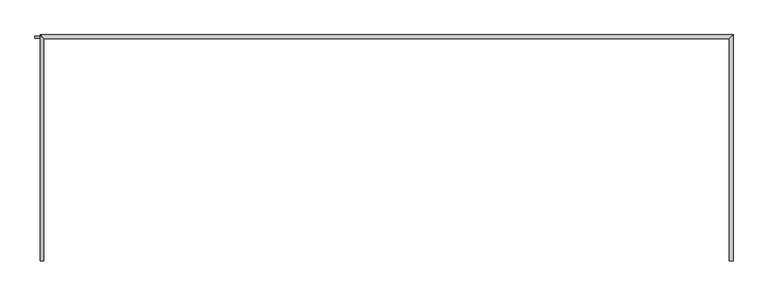
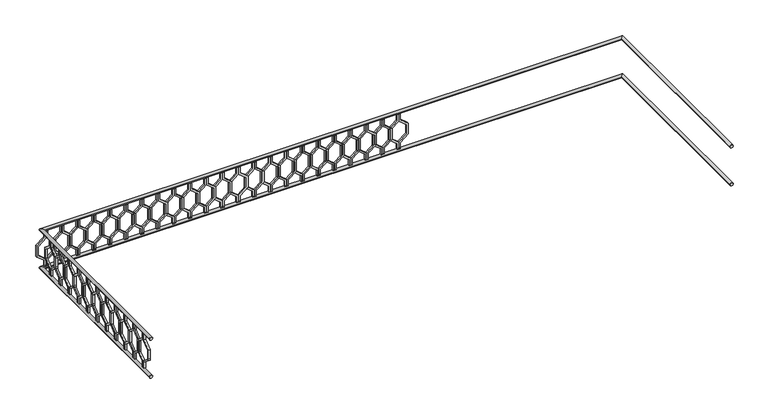
"""IFC4 building model written with IfcOpenShell, lengths in millimetres: railing geometry."""

from ifc_helpers import new_model, si_unit, frame, origin, place, context, project, spatial, polyline, circle_curve, ellipse_curve, outline, extrude, source, transform, mapped, element, save
from ifc_brep_helpers import plane_surface, cylinder_surface, advanced_brep


def railing_e6ef3e06(model_context):
    return source(origin(), model_context, "Body", "SolidModel", [
        advanced_brep(
        [(-40739.9887159, 903.1079487, 8880.0), (-40699.9887159, 903.1079487, 8880.0), (-40739.9887159, 3243.1079487, 8880.0), (-40699.9887159, 3283.1079487, 8880.0), (-47939.9887159, 3243.1079487, 8880.0), (-47979.9887159, 3283.1079487, 8880.0), (-47939.9887159, 903.1079487, 8880.0), (-47979.9887159, 903.1079487, 8880.0)],
        [
            (0, 1, circle_curve(frame((-40719.9887159, 903.1079487, 8880.0), z_axis=(0.0, -1.0, 0.0), x_axis=(1.0, 0.0, 0.0)), 20.0)),
            (1, 0, circle_curve(frame((-40719.9887159, 903.1079487, 8880.0), z_axis=(0.0, -1.0, 0.0), x_axis=(1.0, 0.0, 0.0)), 20.0)),
            (0, 2),
            (2, 3, ellipse_curve(frame((-40719.9887159, 3263.1079487, 8880.0), z_axis=(0.7071067811865475, -0.7071067811865476, 0.0), x_axis=(-0.7071067811865476, -0.7071067811865475, 0.0)), 28.2842712, 20.0)),
            (3, 1),
            (3, 2, ellipse_curve(frame((-40719.9887159, 3263.1079487, 8880.0), z_axis=(0.7071067811865475, -0.7071067811865476, 0.0), x_axis=(-0.7071067811865476, -0.7071067811865475, 0.0)), 28.2842712, 20.0)),
            (2, 4),
            (4, 5, ellipse_curve(frame((-47959.9887159, 3263.1079487, 8880.0), z_axis=(0.7071067811865481, 0.7071067811865469, 0.0), x_axis=(0.7071067811865469, -0.7071067811865481, 0.0)), 28.2842712, 20.0)),
            (5, 3),
            (5, 4, ellipse_curve(frame((-47959.9887159, 3263.1079487, 8880.0), z_axis=(0.7071067811865481, 0.7071067811865469, 0.0), x_axis=(0.7071067811865469, -0.7071067811865481, 0.0)), 28.2842712, 20.0)),
            (6, 7, circle_curve(frame((-47959.9887159, 903.1079487, 8880.0), z_axis=(0.0, -1.0, 0.0), x_axis=(-1.0, 0.0, 0.0)), 20.0)),
            (7, 6, circle_curve(frame((-47959.9887159, 903.1079487, 8880.0), z_axis=(0.0, -1.0, 0.0), x_axis=(-1.0, 0.0, 0.0)), 20.0)),
            (4, 6),
            (7, 5),
        ],
        [
            plane_surface(frame((-40719.9887159, 903.1079487, 8900.0), z_axis=(0.0, -1.0, 0.0), x_axis=(0.0, 0.0, 1.0))),
            cylinder_surface(frame((-40719.9887159, 903.1079487, 8880.0), z_axis=(0.0, -1.0, 0.0), x_axis=(1.0, 0.0, 0.0)), 20.0),
            cylinder_surface(frame((-40719.9887159, 3263.1079487, 8880.0), z_axis=(1.0, 0.0, 0.0), x_axis=(0.0, 1.0, 0.0)), 20.0),
            plane_surface(frame((-47959.9887159, 903.1079487, 8900.0), z_axis=(0.0, -1.0, 0.0), x_axis=(0.0, 0.0, -1.0))),
            cylinder_surface(frame((-47959.9887159, 3263.1079487, 8880.0), z_axis=(0.0, 1.0, 0.0), x_axis=(-1.0, 0.0, 0.0)), 20.0),
        ],
        [
            (0, [[1, 2]]),
            (1, [[-1, 3, 4, 5]]),
            (1, [[-2, -5, 6, -3]]),
            (2, [[-4, 7, 8, 9]]),
            (2, [[-6, -9, 10, -7]]),
            (3, [[11, 12]]),
            (4, [[-8, 13, -12, 14]]),
            (4, [[-10, -14, -11, -13]]),
        ],
    ),
        advanced_brep(
        [(-40739.9887159, 903.1079487, 8380.0), (-40699.9887159, 903.1079487, 8380.0), (-40739.9887159, 3243.1079487, 8380.0), (-40699.9887159, 3283.1079487, 8380.0), (-47939.9887159, 3243.1079487, 8380.0), (-47979.9887159, 3283.1079487, 8380.0), (-47939.9887159, 903.1079487, 8380.0), (-47979.9887159, 903.1079487, 8380.0)],
        [
            (0, 1, circle_curve(frame((-40719.9887159, 903.1079487, 8380.0), z_axis=(0.0, -1.0, 0.0), x_axis=(1.0, 0.0, 0.0)), 20.0)),
            (1, 0, circle_curve(frame((-40719.9887159, 903.1079487, 8380.0), z_axis=(0.0, -1.0, 0.0), x_axis=(1.0, 0.0, 0.0)), 20.0)),
            (0, 2),
            (2, 3, ellipse_curve(frame((-40719.9887159, 3263.1079487, 8380.0), z_axis=(0.7071067811865475, -0.7071067811865476, 0.0), x_axis=(-0.7071067811865476, -0.7071067811865475, 0.0)), 28.2842712, 20.0)),
            (3, 1),
            (3, 2, ellipse_curve(frame((-40719.9887159, 3263.1079487, 8380.0), z_axis=(0.7071067811865475, -0.7071067811865476, 0.0), x_axis=(-0.7071067811865476, -0.7071067811865475, 0.0)), 28.2842712, 20.0)),
            (2, 4),
            (4, 5, ellipse_curve(frame((-47959.9887159, 3263.1079487, 8380.0), z_axis=(0.7071067811865481, 0.7071067811865469, 0.0), x_axis=(0.7071067811865469, -0.7071067811865481, 0.0)), 28.2842712, 20.0)),
            (5, 3),
            (5, 4, ellipse_curve(frame((-47959.9887159, 3263.1079487, 8380.0), z_axis=(0.7071067811865481, 0.7071067811865469, 0.0), x_axis=(0.7071067811865469, -0.7071067811865481, 0.0)), 28.2842712, 20.0)),
            (6, 7, circle_curve(frame((-47959.9887159, 903.1079487, 8380.0), z_axis=(0.0, -1.0, 0.0), x_axis=(-1.0, 0.0, 0.0)), 20.0)),
            (7, 6, circle_curve(frame((-47959.9887159, 903.1079487, 8380.0), z_axis=(0.0, -1.0, 0.0), x_axis=(-1.0, 0.0, 0.0)), 20.0)),
            (4, 6),
            (7, 5),
        ],
        [
            plane_surface(frame((-40719.9887159, 903.1079487, 8400.0), z_axis=(0.0, -1.0, 0.0), x_axis=(0.0, 0.0, 1.0))),
            cylinder_surface(frame((-40719.9887159, 903.1079487, 8380.0), z_axis=(0.0, -1.0, 0.0), x_axis=(1.0, 0.0, 0.0)), 20.0),
            cylinder_surface(frame((-40719.9887159, 3263.1079487, 8380.0), z_axis=(1.0, 0.0, 0.0), x_axis=(0.0, 1.0, 0.0)), 20.0),
            plane_surface(frame((-47959.9887159, 903.1079487, 8400.0), z_axis=(0.0, -1.0, 0.0), x_axis=(0.0, 0.0, -1.0))),
            cylinder_surface(frame((-47959.9887159, 3263.1079487, 8380.0), z_axis=(0.0, 1.0, 0.0), x_axis=(-1.0, 0.0, 0.0)), 20.0),
        ],
        [
            (0, [[1, 2]]),
            (1, [[-1, 3, 4, 5]]),
            (1, [[-2, -5, 6, -3]]),
            (2, [[-4, 7, 8, 9]]),
            (2, [[-6, -9, 10, -7]]),
            (3, [[11, 12]]),
            (4, [[-8, 13, -12, 14]]),
            (4, [[-10, -14, -11, -13]]),
        ],
    ),
        extrude(outline(polyline([(1068.1079487, 8860.0), (1068.1079487, 8770.448155), (969.1129993, 8690.448155), (969.1129993, 8569.551845), (1068.1079487, 8489.551845), (1068.1079487, 8400.0), (1048.1079487, 8400.0), (1048.1079487, 8480.0), (949.1129993, 8560.0), (949.1129993, 8700.0), (1048.1079487, 8780.0), (1048.1079487, 8860.0), (1068.1079487, 8860.0)])), frame((-47964.9887159, 0.0, 0.0), z_axis=(1.0, 0.0, 0.0), x_axis=(0.0, 1.0, 0.0)), (0.0, 0.0, 1.0), 20.0),
        extrude(outline(polyline([(1068.1079487, 8860.0), (1088.1079487, 8860.0), (1088.1079487, 8780.0), (1187.102898, 8700.0), (1187.102898, 8560.0), (1088.1079487, 8480.0), (1088.1079487, 8400.0), (1068.1079487, 8400.0), (1068.1079487, 8489.551845), (1167.102898, 8569.551845), (1167.102898, 8690.448155), (1068.1079487, 8770.448155), (1068.1079487, 8860.0)])), frame((-47964.9887159, 0.0, 0.0), z_axis=(1.0, 0.0, 0.0), x_axis=(0.0, 1.0, 0.0)), (0.0, 0.0, 1.0), 20.0),
        extrude(outline(polyline([(1268.1079487, 8860.0), (1268.1079487, 8770.448155), (1169.1129993, 8690.448155), (1169.1129993, 8569.551845), (1268.1079487, 8489.551845), (1268.1079487, 8400.0), (1248.1079487, 8400.0), (1248.1079487, 8480.0), (1149.1129993, 8560.0), (1149.1129993, 8700.0), (1248.1079487, 8780.0), (1248.1079487, 8860.0), (1268.1079487, 8860.0)])), frame((-47964.9887159, 0.0, 0.0), z_axis=(1.0, 0.0, 0.0), x_axis=(0.0, 1.0, 0.0)), (0.0, 0.0, 1.0), 20.0),
        extrude(outline(polyline([(1268.1079487, 8860.0), (1288.1079487, 8860.0), (1288.1079487, 8780.0), (1387.102898, 8700.0), (1387.102898, 8560.0), (1288.1079487, 8480.0), (1288.1079487, 8400.0), (1268.1079487, 8400.0), (1268.1079487, 8489.551845), (1367.102898, 8569.551845), (1367.102898, 8690.448155), (1268.1079487, 8770.448155), (1268.1079487, 8860.0)])), frame((-47964.9887159, 0.0, 0.0), z_axis=(1.0, 0.0, 0.0), x_axis=(0.0, 1.0, 0.0)), (0.0, 0.0, 1.0), 20.0),
        extrude(outline(polyline([(1468.1079487, 8860.0), (1468.1079487, 8770.448155), (1369.1129993, 8690.448155), (1369.1129993, 8569.551845), (1468.1079487, 8489.551845), (1468.1079487, 8400.0), (1448.1079487, 8400.0), (1448.1079487, 8480.0), (1349.1129993, 8560.0), (1349.1129993, 8700.0), (1448.1079487, 8780.0), (1448.1079487, 8860.0), (1468.1079487, 8860.0)])), frame((-47964.9887159, 0.0, 0.0), z_axis=(1.0, 0.0, 0.0), x_axis=(0.0, 1.0, 0.0)), (0.0, 0.0, 1.0), 20.0),
        extrude(outline(polyline([(1468.1079487, 8860.0), (1488.1079487, 8860.0), (1488.1079487, 8780.0), (1587.102898, 8700.0), (1587.102898, 8560.0), (1488.1079487, 8480.0), (1488.1079487, 8400.0), (1468.1079487, 8400.0), (1468.1079487, 8489.551845), (1567.102898, 8569.551845), (1567.102898, 8690.448155), (1468.1079487, 8770.448155), (1468.1079487, 8860.0)])), frame((-47964.9887159, 0.0, 0.0), z_axis=(1.0, 0.0, 0.0), x_axis=(0.0, 1.0, 0.0)), (0.0, 0.0, 1.0), 20.0),
        extrude(outline(polyline([(1668.1079487, 8860.0), (1668.1079487, 8770.448155), (1569.1129993, 8690.448155), (1569.1129993, 8569.551845), (1668.1079487, 8489.551845), (1668.1079487, 8400.0), (1648.1079487, 8400.0), (1648.1079487, 8480.0), (1549.1129993, 8560.0), (1549.1129993, 8700.0), (1648.1079487, 8780.0), (1648.1079487, 8860.0), (1668.1079487, 8860.0)])), frame((-47964.9887159, 0.0, 0.0), z_axis=(1.0, 0.0, 0.0), x_axis=(0.0, 1.0, 0.0)), (0.0, 0.0, 1.0), 20.0),
        extrude(outline(polyline([(1668.1079487, 8860.0), (1688.1079487, 8860.0), (1688.1079487, 8780.0), (1787.102898, 8700.0), (1787.102898, 8560.0), (1688.1079487, 8480.0), (1688.1079487, 8400.0), (1668.1079487, 8400.0), (1668.1079487, 8489.551845), (1767.102898, 8569.551845), (1767.102898, 8690.448155), (1668.1079487, 8770.448155), (1668.1079487, 8860.0)])), frame((-47964.9887159, 0.0, 0.0), z_axis=(1.0, 0.0, 0.0), x_axis=(0.0, 1.0, 0.0)), (0.0, 0.0, 1.0), 20.0),
        extrude(outline(polyline([(1868.1079487, 8860.0), (1868.1079487, 8770.448155), (1769.1129993, 8690.448155), (1769.1129993, 8569.551845), (1868.1079487, 8489.551845), (1868.1079487, 8400.0), (1848.1079487, 8400.0), (1848.1079487, 8480.0), (1749.1129993, 8560.0), (1749.1129993, 8700.0), (1848.1079487, 8780.0), (1848.1079487, 8860.0), (1868.1079487, 8860.0)])), frame((-47964.9887159, 0.0, 0.0), z_axis=(1.0, 0.0, 0.0), x_axis=(0.0, 1.0, 0.0)), (0.0, 0.0, 1.0), 20.0),
        extrude(outline(polyline([(1868.1079487, 8860.0), (1888.1079487, 8860.0), (1888.1079487, 8780.0), (1987.102898, 8700.0), (1987.102898, 8560.0), (1888.1079487, 8480.0), (1888.1079487, 8400.0), (1868.1079487, 8400.0), (1868.1079487, 8489.551845), (1967.102898, 8569.551845), (1967.102898, 8690.448155), (1868.1079487, 8770.448155), (1868.1079487, 8860.0)])), frame((-47964.9887159, 0.0, 0.0), z_axis=(1.0, 0.0, 0.0), x_axis=(0.0, 1.0, 0.0)), (0.0, 0.0, 1.0), 20.0),
        extrude(outline(polyline([(2068.1079487, 8860.0), (2068.1079487, 8770.448155), (1969.1129993, 8690.448155), (1969.1129993, 8569.551845), (2068.1079487, 8489.551845), (2068.1079487, 8400.0), (2048.1079487, 8400.0), (2048.1079487, 8480.0), (1949.1129993, 8560.0), (1949.1129993, 8700.0), (2048.1079487, 8780.0), (2048.1079487, 8860.0), (2068.1079487, 8860.0)])), frame((-47964.9887159, 0.0, 0.0), z_axis=(1.0, 0.0, 0.0), x_axis=(0.0, 1.0, 0.0)), (0.0, 0.0, 1.0), 20.0),
        extrude(outline(polyline([(2068.1079487, 8860.0), (2088.1079487, 8860.0), (2088.1079487, 8780.0), (2187.102898, 8700.0), (2187.102898, 8560.0), (2088.1079487, 8480.0), (2088.1079487, 8400.0), (2068.1079487, 8400.0), (2068.1079487, 8489.551845), (2167.102898, 8569.551845), (2167.102898, 8690.448155), (2068.1079487, 8770.448155), (2068.1079487, 8860.0)])), frame((-47964.9887159, 0.0, 0.0), z_axis=(1.0, 0.0, 0.0), x_axis=(0.0, 1.0, 0.0)), (0.0, 0.0, 1.0), 20.0),
        extrude(outline(polyline([(2268.1079487, 8860.0), (2268.1079487, 8770.448155), (2169.1129993, 8690.448155), (2169.1129993, 8569.551845), (2268.1079487, 8489.551845), (2268.1079487, 8400.0), (2248.1079487, 8400.0), (2248.1079487, 8480.0), (2149.1129993, 8560.0), (2149.1129993, 8700.0), (2248.1079487, 8780.0), (2248.1079487, 8860.0), (2268.1079487, 8860.0)])), frame((-47964.9887159, 0.0, 0.0), z_axis=(1.0, 0.0, 0.0), x_axis=(0.0, 1.0, 0.0)), (0.0, 0.0, 1.0), 20.0),
        extrude(outline(polyline([(2268.1079487, 8860.0), (2288.1079487, 8860.0), (2288.1079487, 8780.0), (2387.102898, 8700.0), (2387.102898, 8560.0), (2288.1079487, 8480.0), (2288.1079487, 8400.0), (2268.1079487, 8400.0), (2268.1079487, 8489.551845), (2367.102898, 8569.551845), (2367.102898, 8690.448155), (2268.1079487, 8770.448155), (2268.1079487, 8860.0)])), frame((-47964.9887159, 0.0, 0.0), z_axis=(1.0, 0.0, 0.0), x_axis=(0.0, 1.0, 0.0)), (0.0, 0.0, 1.0), 20.0),
        extrude(outline(polyline([(2468.1079487, 8860.0), (2468.1079487, 8770.448155), (2369.1129993, 8690.448155), (2369.1129993, 8569.551845), (2468.1079487, 8489.551845), (2468.1079487, 8400.0), (2448.1079487, 8400.0), (2448.1079487, 8480.0), (2349.1129993, 8560.0), (2349.1129993, 8700.0), (2448.1079487, 8780.0), (2448.1079487, 8860.0), (2468.1079487, 8860.0)])), frame((-47964.9887159, 0.0, 0.0), z_axis=(1.0, 0.0, 0.0), x_axis=(0.0, 1.0, 0.0)), (0.0, 0.0, 1.0), 20.0),
        extrude(outline(polyline([(2468.1079487, 8860.0), (2488.1079487, 8860.0), (2488.1079487, 8780.0), (2587.102898, 8700.0), (2587.102898, 8560.0), (2488.1079487, 8480.0), (2488.1079487, 8400.0), (2468.1079487, 8400.0), (2468.1079487, 8489.551845), (2567.102898, 8569.551845), (2567.102898, 8690.448155), (2468.1079487, 8770.448155), (2468.1079487, 8860.0)])), frame((-47964.9887159, 0.0, 0.0), z_axis=(1.0, 0.0, 0.0), x_axis=(0.0, 1.0, 0.0)), (0.0, 0.0, 1.0), 20.0),
        extrude(outline(polyline([(2668.1079487, 8860.0), (2668.1079487, 8770.448155), (2569.1129993, 8690.448155), (2569.1129993, 8569.551845), (2668.1079487, 8489.551845), (2668.1079487, 8400.0), (2648.1079487, 8400.0), (2648.1079487, 8480.0), (2549.1129993, 8560.0), (2549.1129993, 8700.0), (2648.1079487, 8780.0), (2648.1079487, 8860.0), (2668.1079487, 8860.0)])), frame((-47964.9887159, 0.0, 0.0), z_axis=(1.0, 0.0, 0.0), x_axis=(0.0, 1.0, 0.0)), (0.0, 0.0, 1.0), 20.0),
        extrude(outline(polyline([(2668.1079487, 8860.0), (2688.1079487, 8860.0), (2688.1079487, 8780.0), (2787.102898, 8700.0), (2787.102898, 8560.0), (2688.1079487, 8480.0), (2688.1079487, 8400.0), (2668.1079487, 8400.0), (2668.1079487, 8489.551845), (2767.102898, 8569.551845), (2767.102898, 8690.448155), (2668.1079487, 8770.448155), (2668.1079487, 8860.0)])), frame((-47964.9887159, 0.0, 0.0), z_axis=(1.0, 0.0, 0.0), x_axis=(0.0, 1.0, 0.0)), (0.0, 0.0, 1.0), 20.0),
        extrude(outline(polyline([(2868.1079487, 8860.0), (2868.1079487, 8770.448155), (2769.1129993, 8690.448155), (2769.1129993, 8569.551845), (2868.1079487, 8489.551845), (2868.1079487, 8400.0), (2848.1079487, 8400.0), (2848.1079487, 8480.0), (2749.1129993, 8560.0), (2749.1129993, 8700.0), (2848.1079487, 8780.0), (2848.1079487, 8860.0), (2868.1079487, 8860.0)])), frame((-47964.9887159, 0.0, 0.0), z_axis=(1.0, 0.0, 0.0), x_axis=(0.0, 1.0, 0.0)), (0.0, 0.0, 1.0), 20.0),
        extrude(outline(polyline([(2868.1079487, 8860.0), (2888.1079487, 8860.0), (2888.1079487, 8780.0), (2987.102898, 8700.0), (2987.102898, 8560.0), (2888.1079487, 8480.0), (2888.1079487, 8400.0), (2868.1079487, 8400.0), (2868.1079487, 8489.551845), (2967.102898, 8569.551845), (2967.102898, 8690.448155), (2868.1079487, 8770.448155), (2868.1079487, 8860.0)])), frame((-47964.9887159, 0.0, 0.0), z_axis=(1.0, 0.0, 0.0), x_axis=(0.0, 1.0, 0.0)), (0.0, 0.0, 1.0), 20.0),
        extrude(outline(polyline([(3068.1079487, 8860.0), (3068.1079487, 8770.448155), (2969.1129993, 8690.448155), (2969.1129993, 8569.551845), (3068.1079487, 8489.551845), (3068.1079487, 8400.0), (3048.1079487, 8400.0), (3048.1079487, 8480.0), (2949.1129993, 8560.0), (2949.1129993, 8700.0), (3048.1079487, 8780.0), (3048.1079487, 8860.0), (3068.1079487, 8860.0)])), frame((-47964.9887159, 0.0, 0.0), z_axis=(1.0, 0.0, 0.0), x_axis=(0.0, 1.0, 0.0)), (0.0, 0.0, 1.0), 20.0),
        extrude(outline(polyline([(3068.1079487, 8860.0), (3088.1079487, 8860.0), (3088.1079487, 8780.0), (3187.102898, 8700.0), (3187.102898, 8560.0), (3088.1079487, 8480.0), (3088.1079487, 8400.0), (3068.1079487, 8400.0), (3068.1079487, 8489.551845), (3167.102898, 8569.551845), (3167.102898, 8690.448155), (3068.1079487, 8770.448155), (3068.1079487, 8860.0)])), frame((-47964.9887159, 0.0, 0.0), z_axis=(1.0, 0.0, 0.0), x_axis=(0.0, 1.0, 0.0)), (0.0, 0.0, 1.0), 20.0),
        extrude(outline(polyline([(8860.0, -47914.9887159), (8860.0, -47934.9887159), (8780.0, -47934.9887159), (8700.0, -48033.9836653), (8560.0, -48033.9836653), (8480.0, -47934.9887159), (8400.0, -47934.9887159), (8400.0, -47914.9887159), (8489.551845, -47914.9887159), (8569.551845, -48013.9836653), (8690.448155, -48013.9836653), (8770.448155, -47914.9887159), (8860.0, -47914.9887159)])), frame((0.0, 3248.1079487, 0.0), z_axis=(0.0, 1.0, 0.0), x_axis=(0.0, 0.0, 1.0)), (0.0, 0.0, 1.0), 20.0),
        extrude(outline(polyline([(8860.0, -47914.9887159), (8770.448155, -47914.9887159), (8690.448155, -47815.9937665), (8569.551845, -47815.9937665), (8489.551845, -47914.9887159), (8400.0, -47914.9887159), (8400.0, -47894.9887159), (8480.0, -47894.9887159), (8560.0, -47795.9937665), (8700.0, -47795.9937665), (8780.0, -47894.9887159), (8860.0, -47894.9887159), (8860.0, -47914.9887159)])), frame((0.0, 3248.1079487, 0.0), z_axis=(0.0, 1.0, 0.0), x_axis=(0.0, 0.0, 1.0)), (0.0, 0.0, 1.0), 20.0),
        extrude(outline(polyline([(8860.0, -47714.9887159), (8860.0, -47734.9887159), (8780.0, -47734.9887159), (8700.0, -47833.9836653), (8560.0, -47833.9836653), (8480.0, -47734.9887159), (8400.0, -47734.9887159), (8400.0, -47714.9887159), (8489.551845, -47714.9887159), (8569.551845, -47813.9836653), (8690.448155, -47813.9836653), (8770.448155, -47714.9887159), (8860.0, -47714.9887159)])), frame((0.0, 3248.1079487, 0.0), z_axis=(0.0, 1.0, 0.0), x_axis=(0.0, 0.0, 1.0)), (0.0, 0.0, 1.0), 20.0),
        extrude(outline(polyline([(8860.0, -47714.9887159), (8770.448155, -47714.9887159), (8690.448155, -47615.9937665), (8569.551845, -47615.9937665), (8489.551845, -47714.9887159), (8400.0, -47714.9887159), (8400.0, -47694.9887159), (8480.0, -47694.9887159), (8560.0, -47595.9937665), (8700.0, -47595.9937665), (8780.0, -47694.9887159), (8860.0, -47694.9887159), (8860.0, -47714.9887159)])), frame((0.0, 3248.1079487, 0.0), z_axis=(0.0, 1.0, 0.0), x_axis=(0.0, 0.0, 1.0)), (0.0, 0.0, 1.0), 20.0),
        extrude(outline(polyline([(8860.0, -47514.9887159), (8860.0, -47534.9887159), (8780.0, -47534.9887159), (8700.0, -47633.9836653), (8560.0, -47633.9836653), (8480.0, -47534.9887159), (8400.0, -47534.9887159), (8400.0, -47514.9887159), (8489.551845, -47514.9887159), (8569.551845, -47613.9836653), (8690.448155, -47613.9836653), (8770.448155, -47514.9887159), (8860.0, -47514.9887159)])), frame((0.0, 3248.1079487, 0.0), z_axis=(0.0, 1.0, 0.0), x_axis=(0.0, 0.0, 1.0)), (0.0, 0.0, 1.0), 20.0),
        extrude(outline(polyline([(8860.0, -47514.9887159), (8770.448155, -47514.9887159), (8690.448155, -47415.9937665), (8569.551845, -47415.9937665), (8489.551845, -47514.9887159), (8400.0, -47514.9887159), (8400.0, -47494.9887159), (8480.0, -47494.9887159), (8560.0, -47395.9937665), (8700.0, -47395.9937665), (8780.0, -47494.9887159), (8860.0, -47494.9887159), (8860.0, -47514.9887159)])), frame((0.0, 3248.1079487, 0.0), z_axis=(0.0, 1.0, 0.0), x_axis=(0.0, 0.0, 1.0)), (0.0, 0.0, 1.0), 20.0),
        extrude(outline(polyline([(8860.0, -47314.9887159), (8860.0, -47334.9887159), (8780.0, -47334.9887159), (8700.0, -47433.9836653), (8560.0, -47433.9836653), (8480.0, -47334.9887159), (8400.0, -47334.9887159), (8400.0, -47314.9887159), (8489.551845, -47314.9887159), (8569.551845, -47413.9836653), (8690.448155, -47413.9836653), (8770.448155, -47314.9887159), (8860.0, -47314.9887159)])), frame((0.0, 3248.1079487, 0.0), z_axis=(0.0, 1.0, 0.0), x_axis=(0.0, 0.0, 1.0)), (0.0, 0.0, 1.0), 20.0),
        extrude(outline(polyline([(8860.0, -47314.9887159), (8770.448155, -47314.9887159), (8690.448155, -47215.9937665), (8569.551845, -47215.9937665), (8489.551845, -47314.9887159), (8400.0, -47314.9887159), (8400.0, -47294.9887159), (8480.0, -47294.9887159), (8560.0, -47195.9937665), (8700.0, -47195.9937665), (8780.0, -47294.9887159), (8860.0, -47294.9887159), (8860.0, -47314.9887159)])), frame((0.0, 3248.1079487, 0.0), z_axis=(0.0, 1.0, 0.0), x_axis=(0.0, 0.0, 1.0)), (0.0, 0.0, 1.0), 20.0),
        extrude(outline(polyline([(8860.0, -47114.9887159), (8860.0, -47134.9887159), (8780.0, -47134.9887159), (8700.0, -47233.9836653), (8560.0, -47233.9836653), (8480.0, -47134.9887159), (8400.0, -47134.9887159), (8400.0, -47114.9887159), (8489.551845, -47114.9887159), (8569.551845, -47213.9836653), (8690.448155, -47213.9836653), (8770.448155, -47114.9887159), (8860.0, -47114.9887159)])), frame((0.0, 3248.1079487, 0.0), z_axis=(0.0, 1.0, 0.0), x_axis=(0.0, 0.0, 1.0)), (0.0, 0.0, 1.0), 20.0),
        extrude(outline(polyline([(8860.0, -47114.9887159), (8770.448155, -47114.9887159), (8690.448155, -47015.9937665), (8569.551845, -47015.9937665), (8489.551845, -47114.9887159), (8400.0, -47114.9887159), (8400.0, -47094.9887159), (8480.0, -47094.9887159), (8560.0, -46995.9937665), (8700.0, -46995.9937665), (8780.0, -47094.9887159), (8860.0, -47094.9887159), (8860.0, -47114.9887159)])), frame((0.0, 3248.1079487, 0.0), z_axis=(0.0, 1.0, 0.0), x_axis=(0.0, 0.0, 1.0)), (0.0, 0.0, 1.0), 20.0),
        extrude(outline(polyline([(8860.0, -46914.9887159), (8860.0, -46934.9887159), (8780.0, -46934.9887159), (8700.0, -47033.9836653), (8560.0, -47033.9836653), (8480.0, -46934.9887159), (8400.0, -46934.9887159), (8400.0, -46914.9887159), (8489.551845, -46914.9887159), (8569.551845, -47013.9836653), (8690.448155, -47013.9836653), (8770.448155, -46914.9887159), (8860.0, -46914.9887159)])), frame((0.0, 3248.1079487, 0.0), z_axis=(0.0, 1.0, 0.0), x_axis=(0.0, 0.0, 1.0)), (0.0, 0.0, 1.0), 20.0),
        extrude(outline(polyline([(8860.0, -46914.9887159), (8770.448155, -46914.9887159), (8690.448155, -46815.9937665), (8569.551845, -46815.9937665), (8489.551845, -46914.9887159), (8400.0, -46914.9887159), (8400.0, -46894.9887159), (8480.0, -46894.9887159), (8560.0, -46795.9937665), (8700.0, -46795.9937665), (8780.0, -46894.9887159), (8860.0, -46894.9887159), (8860.0, -46914.9887159)])), frame((0.0, 3248.1079487, 0.0), z_axis=(0.0, 1.0, 0.0), x_axis=(0.0, 0.0, 1.0)), (0.0, 0.0, 1.0), 20.0),
        extrude(outline(polyline([(8860.0, -46714.9887159), (8860.0, -46734.9887159), (8780.0, -46734.9887159), (8700.0, -46833.9836653), (8560.0, -46833.9836653), (8480.0, -46734.9887159), (8400.0, -46734.9887159), (8400.0, -46714.9887159), (8489.551845, -46714.9887159), (8569.551845, -46813.9836653), (8690.448155, -46813.9836653), (8770.448155, -46714.9887159), (8860.0, -46714.9887159)])), frame((0.0, 3248.1079487, 0.0), z_axis=(0.0, 1.0, 0.0), x_axis=(0.0, 0.0, 1.0)), (0.0, 0.0, 1.0), 20.0),
        extrude(outline(polyline([(8860.0, -46714.9887159), (8770.448155, -46714.9887159), (8690.448155, -46615.9937665), (8569.551845, -46615.9937665), (8489.551845, -46714.9887159), (8400.0, -46714.9887159), (8400.0, -46694.9887159), (8480.0, -46694.9887159), (8560.0, -46595.9937665), (8700.0, -46595.9937665), (8780.0, -46694.9887159), (8860.0, -46694.9887159), (8860.0, -46714.9887159)])), frame((0.0, 3248.1079487, 0.0), z_axis=(0.0, 1.0, 0.0), x_axis=(0.0, 0.0, 1.0)), (0.0, 0.0, 1.0), 20.0),
        extrude(outline(polyline([(8860.0, -46514.9887159), (8860.0, -46534.9887159), (8780.0, -46534.9887159), (8700.0, -46633.9836653), (8560.0, -46633.9836653), (8480.0, -46534.9887159), (8400.0, -46534.9887159), (8400.0, -46514.9887159), (8489.551845, -46514.9887159), (8569.551845, -46613.9836653), (8690.448155, -46613.9836653), (8770.448155, -46514.9887159), (8860.0, -46514.9887159)])), frame((0.0, 3248.1079487, 0.0), z_axis=(0.0, 1.0, 0.0), x_axis=(0.0, 0.0, 1.0)), (0.0, 0.0, 1.0), 20.0),
        extrude(outline(polyline([(8860.0, -46514.9887159), (8770.448155, -46514.9887159), (8690.448155, -46415.9937665), (8569.551845, -46415.9937665), (8489.551845, -46514.9887159), (8400.0, -46514.9887159), (8400.0, -46494.9887159), (8480.0, -46494.9887159), (8560.0, -46395.9937665), (8700.0, -46395.9937665), (8780.0, -46494.9887159), (8860.0, -46494.9887159), (8860.0, -46514.9887159)])), frame((0.0, 3248.1079487, 0.0), z_axis=(0.0, 1.0, 0.0), x_axis=(0.0, 0.0, 1.0)), (0.0, 0.0, 1.0), 20.0),
        extrude(outline(polyline([(8860.0, -46314.9887159), (8860.0, -46334.9887159), (8780.0, -46334.9887159), (8700.0, -46433.9836653), (8560.0, -46433.9836653), (8480.0, -46334.9887159), (8400.0, -46334.9887159), (8400.0, -46314.9887159), (8489.551845, -46314.9887159), (8569.551845, -46413.9836653), (8690.448155, -46413.9836653), (8770.448155, -46314.9887159), (8860.0, -46314.9887159)])), frame((0.0, 3248.1079487, 0.0), z_axis=(0.0, 1.0, 0.0), x_axis=(0.0, 0.0, 1.0)), (0.0, 0.0, 1.0), 20.0),
        extrude(outline(polyline([(8860.0, -46314.9887159), (8770.448155, -46314.9887159), (8690.448155, -46215.9937665), (8569.551845, -46215.9937665), (8489.551845, -46314.9887159), (8400.0, -46314.9887159), (8400.0, -46294.9887159), (8480.0, -46294.9887159), (8560.0, -46195.9937665), (8700.0, -46195.9937665), (8780.0, -46294.9887159), (8860.0, -46294.9887159), (8860.0, -46314.9887159)])), frame((0.0, 3248.1079487, 0.0), z_axis=(0.0, 1.0, 0.0), x_axis=(0.0, 0.0, 1.0)), (0.0, 0.0, 1.0), 20.0),
        extrude(outline(polyline([(8860.0, -46114.9887159), (8860.0, -46134.9887159), (8780.0, -46134.9887159), (8700.0, -46233.9836653), (8560.0, -46233.9836653), (8480.0, -46134.9887159), (8400.0, -46134.9887159), (8400.0, -46114.9887159), (8489.551845, -46114.9887159), (8569.551845, -46213.9836653), (8690.448155, -46213.9836653), (8770.448155, -46114.9887159), (8860.0, -46114.9887159)])), frame((0.0, 3248.1079487, 0.0), z_axis=(0.0, 1.0, 0.0), x_axis=(0.0, 0.0, 1.0)), (0.0, 0.0, 1.0), 20.0),
        extrude(outline(polyline([(8860.0, -46114.9887159), (8770.448155, -46114.9887159), (8690.448155, -46015.9937665), (8569.551845, -46015.9937665), (8489.551845, -46114.9887159), (8400.0, -46114.9887159), (8400.0, -46094.9887159), (8480.0, -46094.9887159), (8560.0, -45995.9937665), (8700.0, -45995.9937665), (8780.0, -46094.9887159), (8860.0, -46094.9887159), (8860.0, -46114.9887159)])), frame((0.0, 3248.1079487, 0.0), z_axis=(0.0, 1.0, 0.0), x_axis=(0.0, 0.0, 1.0)), (0.0, 0.0, 1.0), 20.0),
        extrude(outline(polyline([(8860.0, -45914.9887159), (8860.0, -45934.9887159), (8780.0, -45934.9887159), (8700.0, -46033.9836653), (8560.0, -46033.9836653), (8480.0, -45934.9887159), (8400.0, -45934.9887159), (8400.0, -45914.9887159), (8489.551845, -45914.9887159), (8569.551845, -46013.9836653), (8690.448155, -46013.9836653), (8770.448155, -45914.9887159), (8860.0, -45914.9887159)])), frame((0.0, 3248.1079487, 0.0), z_axis=(0.0, 1.0, 0.0), x_axis=(0.0, 0.0, 1.0)), (0.0, 0.0, 1.0), 20.0),
        extrude(outline(polyline([(8860.0, -45914.9887159), (8770.448155, -45914.9887159), (8690.448155, -45815.9937665), (8569.551845, -45815.9937665), (8489.551845, -45914.9887159), (8400.0, -45914.9887159), (8400.0, -45894.9887159), (8480.0, -45894.9887159), (8560.0, -45795.9937665), (8700.0, -45795.9937665), (8780.0, -45894.9887159), (8860.0, -45894.9887159), (8860.0, -45914.9887159)])), frame((0.0, 3248.1079487, 0.0), z_axis=(0.0, 1.0, 0.0), x_axis=(0.0, 0.0, 1.0)), (0.0, 0.0, 1.0), 20.0),
        extrude(outline(polyline([(8860.0, -45714.9887159), (8860.0, -45734.9887159), (8780.0, -45734.9887159), (8700.0, -45833.9836653), (8560.0, -45833.9836653), (8480.0, -45734.9887159), (8400.0, -45734.9887159), (8400.0, -45714.9887159), (8489.551845, -45714.9887159), (8569.551845, -45813.9836653), (8690.448155, -45813.9836653), (8770.448155, -45714.9887159), (8860.0, -45714.9887159)])), frame((0.0, 3248.1079487, 0.0), z_axis=(0.0, 1.0, 0.0), x_axis=(0.0, 0.0, 1.0)), (0.0, 0.0, 1.0), 20.0),
        extrude(outline(polyline([(8860.0, -45714.9887159), (8770.448155, -45714.9887159), (8690.448155, -45615.9937665), (8569.551845, -45615.9937665), (8489.551845, -45714.9887159), (8400.0, -45714.9887159), (8400.0, -45694.9887159), (8480.0, -45694.9887159), (8560.0, -45595.9937665), (8700.0, -45595.9937665), (8780.0, -45694.9887159), (8860.0, -45694.9887159), (8860.0, -45714.9887159)])), frame((0.0, 3248.1079487, 0.0), z_axis=(0.0, 1.0, 0.0), x_axis=(0.0, 0.0, 1.0)), (0.0, 0.0, 1.0), 20.0),
        extrude(outline(polyline([(8860.0, -45514.9887159), (8860.0, -45534.9887159), (8780.0, -45534.9887159), (8700.0, -45633.9836653), (8560.0, -45633.9836653), (8480.0, -45534.9887159), (8400.0, -45534.9887159), (8400.0, -45514.9887159), (8489.551845, -45514.9887159), (8569.551845, -45613.9836653), (8690.448155, -45613.9836653), (8770.448155, -45514.9887159), (8860.0, -45514.9887159)])), frame((0.0, 3248.1079487, 0.0), z_axis=(0.0, 1.0, 0.0), x_axis=(0.0, 0.0, 1.0)), (0.0, 0.0, 1.0), 20.0),
        extrude(outline(polyline([(8860.0, -45514.9887159), (8770.448155, -45514.9887159), (8690.448155, -45415.9937665), (8569.551845, -45415.9937665), (8489.551845, -45514.9887159), (8400.0, -45514.9887159), (8400.0, -45494.9887159), (8480.0, -45494.9887159), (8560.0, -45395.9937665), (8700.0, -45395.9937665), (8780.0, -45494.9887159), (8860.0, -45494.9887159), (8860.0, -45514.9887159)])), frame((0.0, 3248.1079487, 0.0), z_axis=(0.0, 1.0, 0.0), x_axis=(0.0, 0.0, 1.0)), (0.0, 0.0, 1.0), 20.0),
        extrude(outline(polyline([(8860.0, -45314.9887159), (8860.0, -45334.9887159), (8780.0, -45334.9887159), (8700.0, -45433.9836653), (8560.0, -45433.9836653), (8480.0, -45334.9887159), (8400.0, -45334.9887159), (8400.0, -45314.9887159), (8489.551845, -45314.9887159), (8569.551845, -45413.9836653), (8690.448155, -45413.9836653), (8770.448155, -45314.9887159), (8860.0, -45314.9887159)])), frame((0.0, 3248.1079487, 0.0), z_axis=(0.0, 1.0, 0.0), x_axis=(0.0, 0.0, 1.0)), (0.0, 0.0, 1.0), 20.0),
        extrude(outline(polyline([(8860.0, -45314.9887159), (8770.448155, -45314.9887159), (8690.448155, -45215.9937665), (8569.551845, -45215.9937665), (8489.551845, -45314.9887159), (8400.0, -45314.9887159), (8400.0, -45294.9887159), (8480.0, -45294.9887159), (8560.0, -45195.9937665), (8700.0, -45195.9937665), (8780.0, -45294.9887159), (8860.0, -45294.9887159), (8860.0, -45314.9887159)])), frame((0.0, 3248.1079487, 0.0), z_axis=(0.0, 1.0, 0.0), x_axis=(0.0, 0.0, 1.0)), (0.0, 0.0, 1.0), 20.0),
        extrude(outline(polyline([(8860.0, -45114.9887159), (8860.0, -45134.9887159), (8780.0, -45134.9887159), (8700.0, -45233.9836653), (8560.0, -45233.9836653), (8480.0, -45134.9887159), (8400.0, -45134.9887159), (8400.0, -45114.9887159), (8489.551845, -45114.9887159), (8569.551845, -45213.9836653), (8690.448155, -45213.9836653), (8770.448155, -45114.9887159), (8860.0, -45114.9887159)])), frame((0.0, 3248.1079487, 0.0), z_axis=(0.0, 1.0, 0.0), x_axis=(0.0, 0.0, 1.0)), (0.0, 0.0, 1.0), 20.0),
        extrude(outline(polyline([(8860.0, -45114.9887159), (8770.448155, -45114.9887159), (8690.448155, -45015.9937665), (8569.551845, -45015.9937665), (8489.551845, -45114.9887159), (8400.0, -45114.9887159), (8400.0, -45094.9887159), (8480.0, -45094.9887159), (8560.0, -44995.9937665), (8700.0, -44995.9937665), (8780.0, -45094.9887159), (8860.0, -45094.9887159), (8860.0, -45114.9887159)])), frame((0.0, 3248.1079487, 0.0), z_axis=(0.0, 1.0, 0.0), x_axis=(0.0, 0.0, 1.0)), (0.0, 0.0, 1.0), 20.0),
        extrude(outline(polyline([(8860.0, -44914.9887159), (8860.0, -44934.9887159), (8780.0, -44934.9887159), (8700.0, -45033.9836653), (8560.0, -45033.9836653), (8480.0, -44934.9887159), (8400.0, -44934.9887159), (8400.0, -44914.9887159), (8489.551845, -44914.9887159), (8569.551845, -45013.9836653), (8690.448155, -45013.9836653), (8770.448155, -44914.9887159), (8860.0, -44914.9887159)])), frame((0.0, 3248.1079487, 0.0), z_axis=(0.0, 1.0, 0.0), x_axis=(0.0, 0.0, 1.0)), (0.0, 0.0, 1.0), 20.0),
        extrude(outline(polyline([(8860.0, -44914.9887159), (8770.448155, -44914.9887159), (8690.448155, -44815.9937665), (8569.551845, -44815.9937665), (8489.551845, -44914.9887159), (8400.0, -44914.9887159), (8400.0, -44894.9887159), (8480.0, -44894.9887159), (8560.0, -44795.9937665), (8700.0, -44795.9937665), (8780.0, -44894.9887159), (8860.0, -44894.9887159), (8860.0, -44914.9887159)])), frame((0.0, 3248.1079487, 0.0), z_axis=(0.0, 1.0, 0.0), x_axis=(0.0, 0.0, 1.0)), (0.0, 0.0, 1.0), 20.0),
        extrude(outline(polyline([(8860.0, -44714.9887159), (8860.0, -44734.9887159), (8780.0, -44734.9887159), (8700.0, -44833.9836653), (8560.0, -44833.9836653), (8480.0, -44734.9887159), (8400.0, -44734.9887159), (8400.0, -44714.9887159), (8489.551845, -44714.9887159), (8569.551845, -44813.9836653), (8690.448155, -44813.9836653), (8770.448155, -44714.9887159), (8860.0, -44714.9887159)])), frame((0.0, 3248.1079487, 0.0), z_axis=(0.0, 1.0, 0.0), x_axis=(0.0, 0.0, 1.0)), (0.0, 0.0, 1.0), 20.0),
        extrude(outline(polyline([(8860.0, -44714.9887159), (8770.448155, -44714.9887159), (8690.448155, -44615.9937665), (8569.551845, -44615.9937665), (8489.551845, -44714.9887159), (8400.0, -44714.9887159), (8400.0, -44694.9887159), (8480.0, -44694.9887159), (8560.0, -44595.9937665), (8700.0, -44595.9937665), (8780.0, -44694.9887159), (8860.0, -44694.9887159), (8860.0, -44714.9887159)])), frame((0.0, 3248.1079487, 0.0), z_axis=(0.0, 1.0, 0.0), x_axis=(0.0, 0.0, 1.0)), (0.0, 0.0, 1.0), 20.0),
        extrude(outline(polyline([(8860.0, -44514.9887159), (8860.0, -44534.9887159), (8780.0, -44534.9887159), (8700.0, -44633.9836653), (8560.0, -44633.9836653), (8480.0, -44534.9887159), (8400.0, -44534.9887159), (8400.0, -44514.9887159), (8489.551845, -44514.9887159), (8569.551845, -44613.9836653), (8690.448155, -44613.9836653), (8770.448155, -44514.9887159), (8860.0, -44514.9887159)])), frame((0.0, 3248.1079487, 0.0), z_axis=(0.0, 1.0, 0.0), x_axis=(0.0, 0.0, 1.0)), (0.0, 0.0, 1.0), 20.0),
        extrude(outline(polyline([(8860.0, -44514.9887159), (8770.448155, -44514.9887159), (8690.448155, -44415.9937665), (8569.551845, -44415.9937665), (8489.551845, -44514.9887159), (8400.0, -44514.9887159), (8400.0, -44494.9887159), (8480.0, -44494.9887159), (8560.0, -44395.9937665), (8700.0, -44395.9937665), (8780.0, -44494.9887159), (8860.0, -44494.9887159), (8860.0, -44514.9887159)])), frame((0.0, 3248.1079487, 0.0), z_axis=(0.0, 1.0, 0.0), x_axis=(0.0, 0.0, 1.0)), (0.0, 0.0, 1.0), 20.0),
        extrude(outline(polyline([(8860.0, -44314.9887159), (8860.0, -44334.9887159), (8780.0, -44334.9887159), (8700.0, -44433.9836653), (8560.0, -44433.9836653), (8480.0, -44334.9887159), (8400.0, -44334.9887159), (8400.0, -44314.9887159), (8489.551845, -44314.9887159), (8569.551845, -44413.9836653), (8690.448155, -44413.9836653), (8770.448155, -44314.9887159), (8860.0, -44314.9887159)])), frame((0.0, 3248.1079487, 0.0), z_axis=(0.0, 1.0, 0.0), x_axis=(0.0, 0.0, 1.0)), (0.0, 0.0, 1.0), 20.0),
        extrude(outline(polyline([(8860.0, -44314.9887159), (8770.448155, -44314.9887159), (8690.448155, -44215.9937665), (8569.551845, -44215.9937665), (8489.551845, -44314.9887159), (8400.0, -44314.9887159), (8400.0, -44294.9887159), (8480.0, -44294.9887159), (8560.0, -44195.9937665), (8700.0, -44195.9937665), (8780.0, -44294.9887159), (8860.0, -44294.9887159), (8860.0, -44314.9887159)])), frame((0.0, 3248.1079487, 0.0), z_axis=(0.0, 1.0, 0.0), x_axis=(0.0, 0.0, 1.0)), (0.0, 0.0, 1.0), 20.0),
        extrude(outline(polyline([(8860.0, -44114.9887159), (8860.0, -44134.9887159), (8780.0, -44134.9887159), (8700.0, -44233.9836653), (8560.0, -44233.9836653), (8480.0, -44134.9887159), (8400.0, -44134.9887159), (8400.0, -44114.9887159), (8489.551845, -44114.9887159), (8569.551845, -44213.9836653), (8690.448155, -44213.9836653), (8770.448155, -44114.9887159), (8860.0, -44114.9887159)])), frame((0.0, 3248.1079487, 0.0), z_axis=(0.0, 1.0, 0.0), x_axis=(0.0, 0.0, 1.0)), (0.0, 0.0, 1.0), 20.0),
        extrude(outline(polyline([(8860.0, -44114.9887159), (8770.448155, -44114.9887159), (8690.448155, -44015.9937665), (8569.551845, -44015.9937665), (8489.551845, -44114.9887159), (8400.0, -44114.9887159), (8400.0, -44094.9887159), (8480.0, -44094.9887159), (8560.0, -43995.9937665), (8700.0, -43995.9937665), (8780.0, -44094.9887159), (8860.0, -44094.9887159), (8860.0, -44114.9887159)])), frame((0.0, 3248.1079487, 0.0), z_axis=(0.0, 1.0, 0.0), x_axis=(0.0, 0.0, 1.0)), (0.0, 0.0, 1.0), 20.0),
        extrude(outline(polyline([(8860.0, -43914.9887159), (8860.0, -43934.9887159), (8780.0, -43934.9887159), (8700.0, -44033.9836653), (8560.0, -44033.9836653), (8480.0, -43934.9887159), (8400.0, -43934.9887159), (8400.0, -43914.9887159), (8489.551845, -43914.9887159), (8569.551845, -44013.9836653), (8690.448155, -44013.9836653), (8770.448155, -43914.9887159), (8860.0, -43914.9887159)])), frame((0.0, 3248.1079487, 0.0), z_axis=(0.0, 1.0, 0.0), x_axis=(0.0, 0.0, 1.0)), (0.0, 0.0, 1.0), 20.0),
        extrude(outline(polyline([(8860.0, -43914.9887159), (8770.448155, -43914.9887159), (8690.448155, -43815.9937665), (8569.551845, -43815.9937665), (8489.551845, -43914.9887159), (8400.0, -43914.9887159), (8400.0, -43894.9887159), (8480.0, -43894.9887159), (8560.0, -43795.9937665), (8700.0, -43795.9937665), (8780.0, -43894.9887159), (8860.0, -43894.9887159), (8860.0, -43914.9887159)])), frame((0.0, 3248.1079487, 0.0), z_axis=(0.0, 1.0, 0.0), x_axis=(0.0, 0.0, 1.0)), (0.0, 0.0, 1.0), 20.0),
        extrude(outline(polyline([(8860.0, -43714.9887159), (8860.0, -43734.9887159), (8780.0, -43734.9887159), (8700.0, -43833.9836653), (8560.0, -43833.9836653), (8480.0, -43734.9887159), (8400.0, -43734.9887159), (8400.0, -43714.9887159), (8489.551845, -43714.9887159), (8569.551845, -43813.9836653), (8690.448155, -43813.9836653), (8770.448155, -43714.9887159), (8860.0, -43714.9887159)])), frame((0.0, 3248.1079487, 0.0), z_axis=(0.0, 1.0, 0.0), x_axis=(0.0, 0.0, 1.0)), (0.0, 0.0, 1.0), 20.0),
        extrude(outline(polyline([(8860.0, -43714.9887159), (8770.448155, -43714.9887159), (8690.448155, -43615.9937665), (8569.551845, -43615.9937665), (8489.551845, -43714.9887159), (8400.0, -43714.9887159), (8400.0, -43694.9887159), (8480.0, -43694.9887159), (8560.0, -43595.9937665), (8700.0, -43595.9937665), (8780.0, -43694.9887159), (8860.0, -43694.9887159), (8860.0, -43714.9887159)])), frame((0.0, 3248.1079487, 0.0), z_axis=(0.0, 1.0, 0.0), x_axis=(0.0, 0.0, 1.0)), (0.0, 0.0, 1.0), 20.0),
        extrude(outline(polyline([(8860.0, -43514.9887159), (8860.0, -43534.9887159), (8780.0, -43534.9887159), (8700.0, -43633.9836653), (8560.0, -43633.9836653), (8480.0, -43534.9887159), (8400.0, -43534.9887159), (8400.0, -43514.9887159), (8489.551845, -43514.9887159), (8569.551845, -43613.9836653), (8690.448155, -43613.9836653), (8770.448155, -43514.9887159), (8860.0, -43514.9887159)])), frame((0.0, 3248.1079487, 0.0), z_axis=(0.0, 1.0, 0.0), x_axis=(0.0, 0.0, 1.0)), (0.0, 0.0, 1.0), 20.0),
        extrude(outline(polyline([(8860.0, -43514.9887159), (8770.448155, -43514.9887159), (8690.448155, -43415.9937665), (8569.551845, -43415.9937665), (8489.551845, -43514.9887159), (8400.0, -43514.9887159), (8400.0, -43494.9887159), (8480.0, -43494.9887159), (8560.0, -43395.9937665), (8700.0, -43395.9937665), (8780.0, -43494.9887159), (8860.0, -43494.9887159), (8860.0, -43514.9887159)])), frame((0.0, 3248.1079487, 0.0), z_axis=(0.0, 1.0, 0.0), x_axis=(0.0, 0.0, 1.0)), (0.0, 0.0, 1.0), 20.0),
    ])


if __name__ == "__main__":
    model = new_model("IFC4")
    model_context = context("Model", 3, world=origin())
    ifc_project = project(units=[si_unit("LENGTHUNIT", "METRE", prefix="MILLI")], contexts=[model_context])
    site = spatial("IfcSite", under=ifc_project)
    building = spatial("IfcBuilding", under=site)
    placement = place(None, origin())
    railing_shape = railing_e6ef3e06(model_context)
    element("IfcRailing", 1, at=placement, inside=building, context=model_context, shape_type="MappedRepresentation", body=[
        mapped(railing_shape, transform((0.0, 0.0, 0.0), x_axis=(1.0, 0.0, 0.0), y_axis=(0.0, 1.0, 0.0), z_axis=(0.0, 0.0, 1.0))),
    ])
    save(model, "model.ifc")
